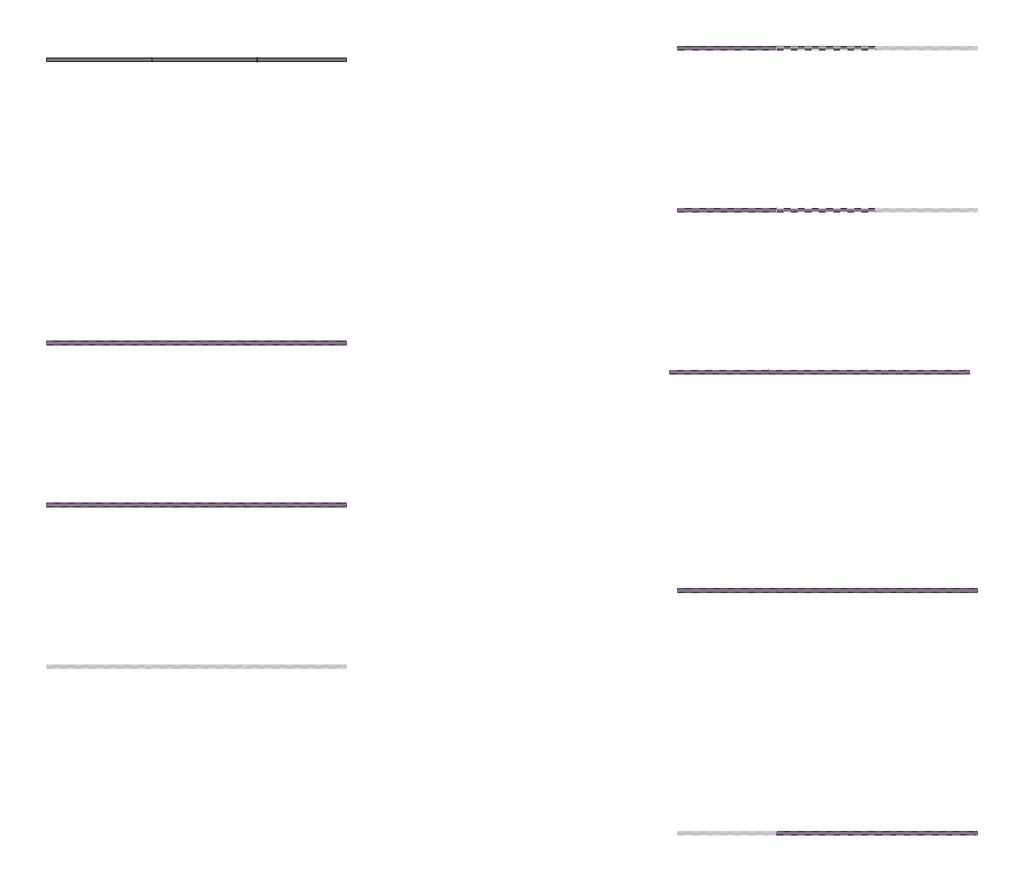
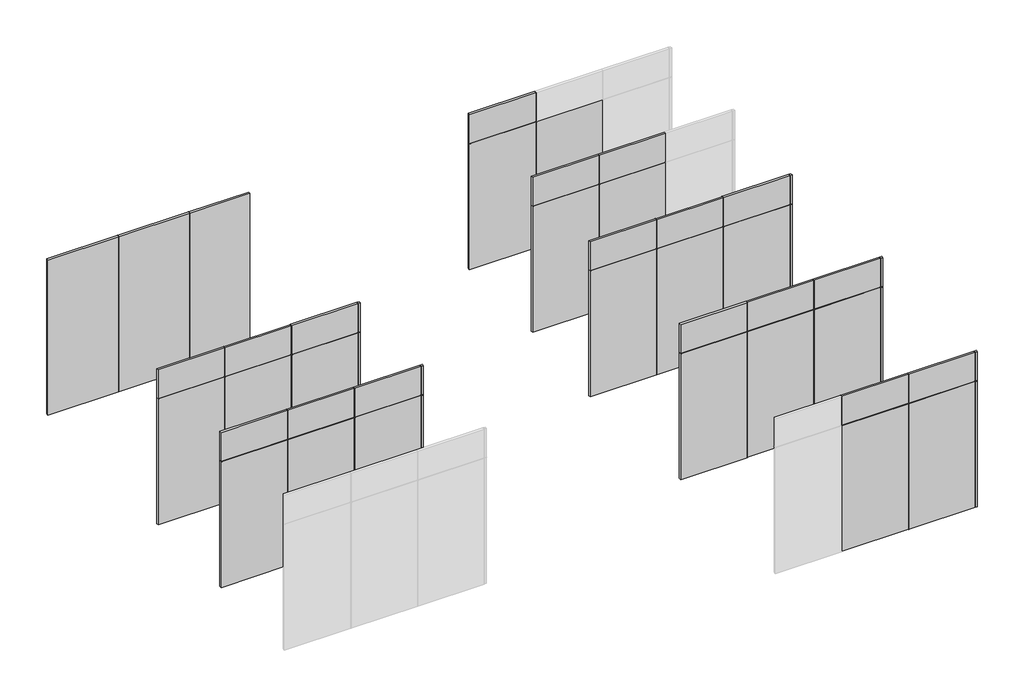
# One storey, part 3 of 33: 56 members, 48 plates.
"""IFC4 building model written with IfcOpenShell, lengths in millimetres."""

import ifcopenshell
import ifcopenshell.guid

model = None  # the IFC model being written
_history = None  # IfcOwnerHistory: only IFC2X3 demands one
_inside = {}  # id of a spatial element -> (the spatial element, [elements in it])
_under = {}  # id of a project, library or spatial element -> (it, [spatial elements below it])
_declared = {}  # id of a project -> (the project, [libraries it declares])
_typed = {}  # id of a type object -> (the type object, [elements of that type])
_made_of = {}  # id of a material, layer set ... -> (it, [elements and type objects made of it])


def new_model(schema):
    """Start an empty IFC model of exactly this schema.

    Asked for "IFC4X3", IfcOpenShell would pick the latest addendum, in which some entities
    have other attributes; the version numbers below select the first issue.
    IFC2X3 requires an IfcOwnerHistory on every rooted entity: one is made here for all.
    """
    global model, _history
    if schema == "IFC4X3":
        model = ifcopenshell.file(schema_version=(4, 3, 0, 0))
    else:
        model = ifcopenshell.file(schema=schema)
    _inside.clear()
    _under.clear()
    _declared.clear()
    _typed.clear()
    _made_of.clear()
    _history = None
    if model.schema == "IFC2X3":
        org = make("IfcOrganization", Name="unknown")
        user = make(
            "IfcPersonAndOrganization",
            ThePerson=make("IfcPerson", FamilyName="unknown"),
            TheOrganization=org,
        )
        app = make(
            "IfcApplication",
            ApplicationDeveloper=org,
            Version="unknown",
            ApplicationFullName="unknown",
            ApplicationIdentifier="unknown",
        )
        _history = make(
            "IfcOwnerHistory",
            OwningUser=user,
            OwningApplication=app,
            ChangeAction="ADDED",
            CreationDate=0,
        )
    return model


def make(cls, **values):
    """One entity of the class cls with the attributes given. An attribute that is None is left unset."""
    return model.create_entity(
        cls, **{name: value for name, value in values.items() if value is not None}
    )


def rooted(cls, **values):
    """An entity with a GlobalId (a new one), such as an element, a storey or a relation."""
    return make(cls, GlobalId=ifcopenshell.guid.new(), OwnerHistory=_history, **values)


def si_unit(unit_type, name, prefix=None):
    """IfcSIUnit, for example si_unit("LENGTHUNIT", "METRE", prefix="MILLI")."""
    return make("IfcSIUnit", UnitType=unit_type, Prefix=prefix, Name=name)


def assignment(units):
    """IfcUnitAssignment: the units of a project."""
    return None if units is None else make("IfcUnitAssignment", Units=units)


def point(xyz):
    """IfcCartesianPoint."""
    return None if xyz is None else make("IfcCartesianPoint", Coordinates=xyz)


def direction(xyz):
    """IfcDirection."""
    return None if xyz is None else make("IfcDirection", DirectionRatios=xyz)


def frame(location, z_axis=None, x_axis=None):
    """IfcAxis2Placement3D, a coordinate frame: its origin and axes. An axis left out is left unset."""
    return make(
        "IfcAxis2Placement3D",
        Location=point(location),
        Axis=direction(z_axis),
        RefDirection=direction(x_axis),
    )


def origin():
    """The frame at (0, 0, 0) with its axes left unset."""
    return frame((0.0, 0.0, 0.0))


def origin_with_axes():
    """The frame at (0, 0, 0) with the z axis (0, 0, 1) and the x axis (1, 0, 0) written out."""
    return frame((0.0, 0.0, 0.0), z_axis=(0.0, 0.0, 1.0), x_axis=(1.0, 0.0, 0.0))


def place(relative_to, where):
    """IfcLocalPlacement: puts the frame where relative to a parent placement (None: the world)."""
    return make(
        "IfcLocalPlacement", PlacementRelTo=relative_to, RelativePlacement=where
    )


def context(
    kind, dimensions, precision=None, world=None, true_north=None, identifier=None
):
    """IfcGeometricRepresentationContext, for example the 3D "Model" context."""
    return make(
        "IfcGeometricRepresentationContext",
        ContextIdentifier=identifier,
        ContextType=kind,
        CoordinateSpaceDimension=dimensions,
        Precision=precision,
        WorldCoordinateSystem=world,
        TrueNorth=true_north,
    )


def project(units=None, contexts=None):
    """IfcProject with its units and contexts."""
    return rooted(
        "IfcProject",
        Name="project",
        RepresentationContexts=contexts,
        UnitsInContext=assignment(units),
    )


def spatial(cls, under=None, at=None, **own):
    """A site, building, storey or space (cls), placed at a placement, below another one or the project."""
    s = rooted(cls, ObjectPlacement=at, **own)
    if under is not None:
        _under.setdefault(under.id(), (under, []))[1].append(s)
    return s


def polyline(points):
    """IfcPolyline through the points."""
    return make("IfcPolyline", Points=[point(p) for p in points])


def outline(outer, holes=None, kind="AREA"):
    """IfcArbitraryClosedProfileDef: a profile drawn as a closed curve; with holes, ...WithVoids."""
    if holes is None:
        return make("IfcArbitraryClosedProfileDef", ProfileType=kind, OuterCurve=outer)
    return make(
        "IfcArbitraryProfileDefWithVoids",
        ProfileType=kind,
        OuterCurve=outer,
        InnerCurves=holes,
    )


def extrude(swept, where, along, depth):
    """IfcExtrudedAreaSolid: the profile swept, set in the frame where, extruded along a direction by depth."""
    return make(
        "IfcExtrudedAreaSolid",
        SweptArea=swept,
        Position=where,
        ExtrudedDirection=direction(along),
        Depth=depth,
    )


def shape(context_of_items, identifier, shape_type, items):
    """IfcShapeRepresentation: the items that make up one representation, for example the "Body"."""
    return make(
        "IfcShapeRepresentation",
        ContextOfItems=context_of_items,
        RepresentationIdentifier=identifier,
        RepresentationType=shape_type,
        Items=items,
    )


def source(mapping_origin, context_of_items, identifier, shape_type, items):
    """IfcRepresentationMap: a shape defined once, which mapped items show again and again."""
    return make(
        "IfcRepresentationMap",
        MappingOrigin=mapping_origin,
        MappedRepresentation=shape(context_of_items, identifier, shape_type, items),
    )


def transform(
    local_origin,
    x_axis=None,
    y_axis=None,
    z_axis=None,
    scale=None,
    scale2=None,
    scale3=None,
    uniform=True,
):
    """IfcCartesianTransformationOperator3D, or its non-uniform kind. x_axis, y_axis, z_axis: its Axis1, 2, 3."""
    if uniform:
        return make(
            "IfcCartesianTransformationOperator3D",
            Axis1=direction(x_axis),
            Axis2=direction(y_axis),
            LocalOrigin=point(local_origin),
            Scale=scale,
            Axis3=direction(z_axis),
        )
    return make(
        "IfcCartesianTransformationOperator3DnonUniform",
        Axis1=direction(x_axis),
        Axis2=direction(y_axis),
        LocalOrigin=point(local_origin),
        Scale=scale,
        Axis3=direction(z_axis),
        Scale2=scale2,
        Scale3=scale3,
    )


def mapped(mapping_source, mapping_target):
    """IfcMappedItem: shows the shape of a source again, moved by a transform."""
    return make(
        "IfcMappedItem", MappingSource=mapping_source, MappingTarget=mapping_target
    )


def made_of(thing, what):
    """Note that an element or type object is made of a material, layer set ...; save() writes the relation."""
    if what is not None:
        _made_of.setdefault(what.id(), (what, []))[1].append(thing)
    return thing


def element(
    cls,
    number,
    at=None,
    inside=None,
    cuts=None,
    type_object=None,
    material=None,
    context=None,
    identifier="Body",
    shape_type=None,
    held_by="IfcProductDefinitionShape",
    body=None,
    shapes=None,
    **own,
):
    """One element of the class cls, such as IfcWall. Its Tag is "e" and its number.

    at: its placement. inside: the storey or other place that contains it. cuts: it is an
    opening in that element (IfcRelVoidsElement). A single representation is given by context,
    identifier, shape_type and body (its items); several are given by shapes. held_by: the class
    of the entity that holds the representations. save() writes the other relations.
    """
    e = rooted(cls, Tag="e%d" % number, ObjectPlacement=at, **own)
    if body is not None:
        shapes = [shape(context, identifier, shape_type, body)]
    if shapes is not None:
        e.Representation = make(held_by, Representations=shapes)
    if inside is not None:
        _inside.setdefault(inside.id(), (inside, []))[1].append(e)
    if cuts is not None:
        rooted(
            "IfcRelVoidsElement", RelatingBuildingElement=cuts, RelatedOpeningElement=e
        )
    if type_object is not None:
        _typed.setdefault(type_object.id(), (type_object, []))[1].append(e)
    return made_of(e, material)


def aggregate(whole, parts):
    """IfcRelAggregates: a whole, such as a stair, and the parts it consists of."""
    return rooted("IfcRelAggregates", RelatingObject=whole, RelatedObjects=parts)


def save(model, path):
    """Write the relations noted so far, then the file.

    IfcRelAggregates (storeys below a building ...), IfcRelContainedInSpatialStructure (elements
    in a storey), IfcRelDefinesByType, IfcRelAssociatesMaterial and IfcRelDeclares: one each for
    every whole, place, type object, material and project.
    """
    for whole, parts in _under.values():
        aggregate(whole, parts)
    for where, things in _inside.values():
        rooted(
            "IfcRelContainedInSpatialStructure",
            RelatedElements=things,
            RelatingStructure=where,
        )
    for kind, things in _typed.values():
        rooted("IfcRelDefinesByType", RelatedObjects=things, RelatingType=kind)
    for what, things in _made_of.values():
        rooted("IfcRelAssociatesMaterial", RelatedObjects=things, RelatingMaterial=what)
    for by, libraries in _declared.values():
        rooted("IfcRelDeclares", RelatingContext=by, RelatedDefinitions=libraries)
    model.write(path)


def member_4a7d45f5(model_context):
    return source(origin(), model_context, "Body", "SweptSolid", [
        extrude(outline(polyline([(1.0, 22.0), (1.0, -22.0), (-1.0, -22.0), (-1.0, 22.0), (1.0, 22.0)])), frame((0.0, 0.0, -3000.0), z_axis=(0.0, 0.0, 1.0), x_axis=(1.0, 0.0, 0.0)), (0.0, 0.0, 1.0), 3000.0),
    ])


def member_28196938(model_context):
    return source(origin(), model_context, "Body", "SweptSolid", [
        extrude(outline(polyline([(1.0, 23.0), (1.0, -23.0), (-1.0, -23.0), (-1.0, 23.0), (1.0, 23.0)])), frame((0.0, 0.0, -3000.0), z_axis=(0.0, 0.0, 1.0), x_axis=(1.0, 0.0, 0.0)), (0.0, 0.0, 1.0), 3000.0),
    ])


def member_1787823b(model_context):
    return source(origin(), model_context, "Body", "SweptSolid", [
        extrude(outline(polyline([(1.0, 22.0), (1.0, -22.0), (-1.0, -22.0), (-1.0, 22.0), (1.0, 22.0)])), frame((0.0, 0.0, -2439.0), z_axis=(0.0, 0.0, 1.0), x_axis=(1.0, 0.0, 0.0)), (0.0, 0.0, 1.0), 2439.0),
    ])


def member_e9ed71a9(model_context):
    return source(origin(), model_context, "Body", "SweptSolid", [
        extrude(outline(polyline([(1.0, 22.0), (1.0, -22.0), (-1.0, -22.0), (-1.0, 22.0), (1.0, 22.0)])), frame((0.0, 0.0, -561.0), z_axis=(0.0, 0.0, 1.0), x_axis=(1.0, 0.0, 0.0)), (0.0, 0.0, 1.0), 561.0),
    ])


def member_6dcd7272(model_context):
    return source(origin(), model_context, "Body", "SweptSolid", [
        extrude(outline(polyline([(1.0, 22.0), (1.0, -22.0), (-1.0, -22.0), (-1.0, 22.0), (1.0, 22.0)])), frame((0.0, 0.0, -1218.0000003), z_axis=(0.0, 0.0, 1.0), x_axis=(1.0, 0.0, 0.0)), (0.0, 0.0, 1.0), 1218.0000003),
    ])


def member_5f7379ef(model_context):
    return source(origin(), model_context, "Body", "SweptSolid", [
        extrude(outline(polyline([(1.0, 22.0), (1.0, -22.0), (-1.0, -22.0), (-1.0, 22.0), (1.0, 22.0)])), frame((0.0, 0.0, -1218.0), z_axis=(0.0, 0.0, 1.0), x_axis=(1.0, 0.0, 0.0)), (0.0, 0.0, 1.0), 1218.0),
    ])


def member_fc2d3749(model_context):
    return source(origin(), model_context, "Body", "SweptSolid", [
        extrude(outline(polyline([(1.0, 22.0), (1.0, -22.0), (-1.0, -22.0), (-1.0, 22.0), (1.0, 22.0)])), frame((0.0, 0.0, -39.9999997), z_axis=(0.0, 0.0, 1.0), x_axis=(1.0, 0.0, 0.0)), (0.0, 0.0, 1.0), 39.9999997),
    ])


model = new_model("IFC4")

# Units and contexts
model_context = context("Model", 3, world=origin())
ifc_project = project(units=[si_unit("LENGTHUNIT", "METRE", prefix="MILLI")], contexts=[model_context])

# Site, building, storey
site = spatial("IfcSite", under=ifc_project)
building = spatial("IfcBuilding", under=site)
storey = spatial("IfcBuildingStorey", under=building, Elevation=0.0)

# Members
placement = place(None, origin())
member_shape = member_4a7d45f5(model_context)
element("IfcMember", 1, at=placement, inside=storey, context=model_context, shape_type="MappedRepresentation", body=[
    mapped(member_shape, transform((35575.5362657, -1902.4813986, 0.0), x_axis=(1.0, 0.0, 0.0), y_axis=(0.0, -1.0, 0.0), z_axis=(0.0, 0.0, -1.0))),
])
member_2_shape = member_28196938(model_context)
element("IfcMember", 2, at=placement, inside=storey, context=model_context, shape_type="MappedRepresentation", body=[
    mapped(member_2_shape, transform((36875.5362657, -1902.4813986, 0.0), x_axis=(1.0, 0.0, 0.0), y_axis=(0.0, -1.0, 0.0), z_axis=(0.0, 0.0, -1.0))),
])
member_3_shape = member_1787823b(model_context)
element("IfcMember", 3, at=placement, inside=storey, context=model_context, shape_type="MappedRepresentation", body=[
    mapped(member_3_shape, transform((36714.5362657, -5402.4813986, 0.0), x_axis=(1.0, 0.0, 0.0), y_axis=(0.0, -1.0, 0.0), z_axis=(0.0, 0.0, -1.0))),
])
element("IfcMember", 4, at=placement, inside=storey, context=model_context, shape_type="MappedRepresentation", body=[
    mapped(member_3_shape, transform((37934.5362657, -5402.4813986, 0.0), x_axis=(1.0, 0.0, 0.0), y_axis=(0.0, -1.0, 0.0), z_axis=(0.0, 0.0, -1.0))),
])
element("IfcMember", 5, at=placement, inside=storey, context=model_context, shape_type="MappedRepresentation", body=[
    mapped(member_3_shape, transform((35494.5362657, -5402.4813986, 0.0), x_axis=(1.0, 0.0, 0.0), y_axis=(0.0, -1.0, 0.0), z_axis=(0.0, 0.0, -1.0))),
])
element("IfcMember", 6, at=placement, inside=storey, context=model_context, shape_type="MappedRepresentation", body=[
    mapped(member_3_shape, transform((36714.5362657, -7402.4813986, 0.0), x_axis=(1.0, 0.0, 0.0), y_axis=(0.0, -1.0, 0.0), z_axis=(0.0, 0.0, -1.0))),
])
element("IfcMember", 7, at=placement, inside=storey, context=model_context, shape_type="MappedRepresentation", body=[
    mapped(member_3_shape, transform((37934.5362657, -7402.4813986, 0.0), x_axis=(1.0, 0.0, 0.0), y_axis=(0.0, -1.0, 0.0), z_axis=(0.0, 0.0, -1.0))),
])
element("IfcMember", 8, at=placement, inside=storey, context=model_context, shape_type="MappedRepresentation", body=[
    mapped(member_3_shape, transform((35494.5362657, -7402.4813986, 0.0), x_axis=(1.0, 0.0, 0.0), y_axis=(0.0, -1.0, 0.0), z_axis=(0.0, 0.0, -1.0))),
])
element("IfcMember", 9, at=placement, inside=storey, context=model_context, shape_type="MappedRepresentation", body=[
    mapped(member_3_shape, transform((43294.5362657, -1762.4813986, 0.0), x_axis=(1.0, 0.0, 0.0), y_axis=(0.0, -1.0, 0.0), z_axis=(0.0, 0.0, -1.0))),
])
element("IfcMember", 10, at=placement, inside=storey, context=model_context, shape_type="MappedRepresentation", body=[
    mapped(member_3_shape, transform((43294.5362657, -3762.4813986, 0.0), x_axis=(1.0, 0.0, 0.0), y_axis=(0.0, -1.0, 0.0), z_axis=(0.0, 0.0, -1.0))),
])
element("IfcMember", 11, at=placement, inside=storey, context=model_context, shape_type="MappedRepresentation", body=[
    mapped(member_3_shape, transform((44414.536266, -5762.4813986, 0.0), x_axis=(1.0, 0.0, 0.0), y_axis=(0.0, -1.0, 0.0), z_axis=(0.0, 0.0, -1.0))),
])
element("IfcMember", 12, at=placement, inside=storey, context=model_context, shape_type="MappedRepresentation", body=[
    mapped(member_3_shape, transform((45634.536266, -5762.4813986, 0.0), x_axis=(1.0, 0.0, 0.0), y_axis=(0.0, -1.0, 0.0), z_axis=(0.0, 0.0, -1.0))),
])
element("IfcMember", 13, at=placement, inside=storey, context=model_context, shape_type="MappedRepresentation", body=[
    mapped(member_3_shape, transform((43194.536266, -5762.4813986, 0.0), x_axis=(1.0, 0.0, 0.0), y_axis=(0.0, -1.0, 0.0), z_axis=(0.0, 0.0, -1.0))),
])
element("IfcMember", 14, at=placement, inside=storey, context=model_context, shape_type="MappedRepresentation", body=[
    mapped(member_3_shape, transform((44514.5362657, -8459.9482172, 0.0), x_axis=(1.0, 0.0, 0.0), y_axis=(0.0, -1.0, 0.0), z_axis=(0.0, 0.0, -1.0))),
])
element("IfcMember", 15, at=placement, inside=storey, context=model_context, shape_type="MappedRepresentation", body=[
    mapped(member_3_shape, transform((45734.5362657, -8459.9482172, 0.0), x_axis=(1.0, 0.0, 0.0), y_axis=(0.0, -1.0, 0.0), z_axis=(0.0, 0.0, -1.0))),
])
element("IfcMember", 16, at=placement, inside=storey, context=model_context, shape_type="MappedRepresentation", body=[
    mapped(member_3_shape, transform((43294.5362657, -8459.9482172, 0.0), x_axis=(1.0, 0.0, 0.0), y_axis=(0.0, -1.0, 0.0), z_axis=(0.0, 0.0, -1.0))),
])
element("IfcMember", 17, at=placement, inside=storey, context=model_context, shape_type="MappedRepresentation", body=[
    mapped(member_3_shape, transform((44514.5362657, -11459.9482172, 0.0), x_axis=(1.0, 0.0, 0.0), y_axis=(0.0, -1.0, 0.0), z_axis=(0.0, 0.0, -1.0))),
])
element("IfcMember", 18, at=placement, inside=storey, context=model_context, shape_type="MappedRepresentation", body=[
    mapped(member_3_shape, transform((45734.5362657, -11459.9482172, 0.0), x_axis=(1.0, 0.0, 0.0), y_axis=(0.0, -1.0, 0.0), z_axis=(0.0, 0.0, -1.0))),
])
member_4_shape = member_e9ed71a9(model_context)
element("IfcMember", 19, at=placement, inside=storey, context=model_context, shape_type="MappedRepresentation", body=[
    mapped(member_4_shape, transform((36714.5362657, -5402.4813986, 2439.0), x_axis=(1.0, 0.0, 0.0), y_axis=(0.0, -1.0, 0.0), z_axis=(0.0, 0.0, -1.0))),
])
element("IfcMember", 20, at=placement, inside=storey, context=model_context, shape_type="MappedRepresentation", body=[
    mapped(member_4_shape, transform((37934.5362657, -5402.4813986, 2439.0), x_axis=(1.0, 0.0, 0.0), y_axis=(0.0, -1.0, 0.0), z_axis=(0.0, 0.0, -1.0))),
])
element("IfcMember", 21, at=placement, inside=storey, context=model_context, shape_type="MappedRepresentation", body=[
    mapped(member_4_shape, transform((35494.5362657, -5402.4813986, 2439.0), x_axis=(1.0, 0.0, 0.0), y_axis=(0.0, -1.0, 0.0), z_axis=(0.0, 0.0, -1.0))),
])
element("IfcMember", 22, at=placement, inside=storey, context=model_context, shape_type="MappedRepresentation", body=[
    mapped(member_4_shape, transform((36714.5362657, -7402.4813986, 2439.0), x_axis=(1.0, 0.0, 0.0), y_axis=(0.0, -1.0, 0.0), z_axis=(0.0, 0.0, -1.0))),
])
element("IfcMember", 23, at=placement, inside=storey, context=model_context, shape_type="MappedRepresentation", body=[
    mapped(member_4_shape, transform((37934.5362657, -7402.4813986, 2439.0), x_axis=(1.0, 0.0, 0.0), y_axis=(0.0, -1.0, 0.0), z_axis=(0.0, 0.0, -1.0))),
])
element("IfcMember", 24, at=placement, inside=storey, context=model_context, shape_type="MappedRepresentation", body=[
    mapped(member_4_shape, transform((35494.5362657, -7402.4813986, 2439.0), x_axis=(1.0, 0.0, 0.0), y_axis=(0.0, -1.0, 0.0), z_axis=(0.0, 0.0, -1.0))),
])
element("IfcMember", 25, at=placement, inside=storey, context=model_context, shape_type="MappedRepresentation", body=[
    mapped(member_4_shape, transform((43294.5362657, -1762.4813986, 2439.0), x_axis=(1.0, 0.0, 0.0), y_axis=(0.0, -1.0, 0.0), z_axis=(0.0, 0.0, -1.0))),
])
element("IfcMember", 26, at=placement, inside=storey, context=model_context, shape_type="MappedRepresentation", body=[
    mapped(member_4_shape, transform((43294.5362657, -3762.4813986, 2439.0), x_axis=(1.0, 0.0, 0.0), y_axis=(0.0, -1.0, 0.0), z_axis=(0.0, 0.0, -1.0))),
])
element("IfcMember", 27, at=placement, inside=storey, context=model_context, shape_type="MappedRepresentation", body=[
    mapped(member_4_shape, transform((44414.536266, -5762.4813986, 2439.0), x_axis=(1.0, 0.0, 0.0), y_axis=(0.0, -1.0, 0.0), z_axis=(0.0, 0.0, -1.0))),
])
element("IfcMember", 28, at=placement, inside=storey, context=model_context, shape_type="MappedRepresentation", body=[
    mapped(member_4_shape, transform((45634.536266, -5762.4813986, 2439.0), x_axis=(1.0, 0.0, 0.0), y_axis=(0.0, -1.0, 0.0), z_axis=(0.0, 0.0, -1.0))),
])
element("IfcMember", 29, at=placement, inside=storey, context=model_context, shape_type="MappedRepresentation", body=[
    mapped(member_4_shape, transform((43194.536266, -5762.4813986, 2439.0), x_axis=(1.0, 0.0, 0.0), y_axis=(0.0, -1.0, 0.0), z_axis=(0.0, 0.0, -1.0))),
])
element("IfcMember", 30, at=placement, inside=storey, context=model_context, shape_type="MappedRepresentation", body=[
    mapped(member_4_shape, transform((44514.5362657, -8459.9482172, 2439.0), x_axis=(1.0, 0.0, 0.0), y_axis=(0.0, -1.0, 0.0), z_axis=(0.0, 0.0, -1.0))),
])
element("IfcMember", 31, at=placement, inside=storey, context=model_context, shape_type="MappedRepresentation", body=[
    mapped(member_4_shape, transform((45734.5362657, -8459.9482172, 2439.0), x_axis=(1.0, 0.0, 0.0), y_axis=(0.0, -1.0, 0.0), z_axis=(0.0, 0.0, -1.0))),
])
element("IfcMember", 32, at=placement, inside=storey, context=model_context, shape_type="MappedRepresentation", body=[
    mapped(member_4_shape, transform((43294.5362657, -8459.9482172, 2439.0), x_axis=(1.0, 0.0, 0.0), y_axis=(0.0, -1.0, 0.0), z_axis=(0.0, 0.0, -1.0))),
])
element("IfcMember", 33, at=placement, inside=storey, context=model_context, shape_type="MappedRepresentation", body=[
    mapped(member_4_shape, transform((44514.5362657, -11459.9482172, 2439.0), x_axis=(1.0, 0.0, 0.0), y_axis=(0.0, -1.0, 0.0), z_axis=(0.0, 0.0, -1.0))),
])
element("IfcMember", 34, at=placement, inside=storey, context=model_context, shape_type="MappedRepresentation", body=[
    mapped(member_4_shape, transform((45734.5362657, -11459.9482172, 2439.0), x_axis=(1.0, 0.0, 0.0), y_axis=(0.0, -1.0, 0.0), z_axis=(0.0, 0.0, -1.0))),
])
element("IfcMember", 35, at=placement, inside=storey, context=model_context, shape_type="MappedRepresentation", body=[
    mapped(member_4_shape, transform((43294.5362657, -11459.9482172, 2439.0), x_axis=(1.0, 0.0, 0.0), y_axis=(0.0, -1.0, 0.0), z_axis=(0.0, 0.0, -1.0))),
])
member_5_shape = member_6dcd7272(model_context)
element("IfcMember", 36, at=placement, inside=storey, context=model_context, shape_type="MappedRepresentation", body=[
    mapped(member_5_shape, transform((35493.5362657, -5402.4813986, 2439.0), x_axis=(0.0, 0.0, 1.0), y_axis=(0.0, -1.0, 0.0), z_axis=(1.0, 0.0, 0.0))),
])
element("IfcMember", 37, at=placement, inside=storey, context=model_context, shape_type="MappedRepresentation", body=[
    mapped(member_5_shape, transform((35493.5362657, -7402.4813986, 2439.0), x_axis=(0.0, 0.0, 1.0), y_axis=(0.0, -1.0, 0.0), z_axis=(1.0, 0.0, 0.0))),
])
element("IfcMember", 38, at=placement, inside=storey, context=model_context, shape_type="MappedRepresentation", body=[
    mapped(member_5_shape, transform((43293.5362657, -1762.4813986, 2439.0), x_axis=(0.0, 0.0, 1.0), y_axis=(0.0, -1.0, 0.0), z_axis=(1.0, 0.0, 0.0))),
])
element("IfcMember", 39, at=placement, inside=storey, context=model_context, shape_type="MappedRepresentation", body=[
    mapped(member_5_shape, transform((43293.5362657, -3762.4813986, 2439.0), x_axis=(0.0, 0.0, 1.0), y_axis=(0.0, -1.0, 0.0), z_axis=(1.0, 0.0, 0.0))),
])
element("IfcMember", 40, at=placement, inside=storey, context=model_context, shape_type="MappedRepresentation", body=[
    mapped(member_5_shape, transform((43193.536266, -5762.4813986, 2439.0), x_axis=(0.0, 0.0, 1.0), y_axis=(0.0, -1.0, 0.0), z_axis=(1.0, 0.0, 0.0))),
])
element("IfcMember", 41, at=placement, inside=storey, context=model_context, shape_type="MappedRepresentation", body=[
    mapped(member_5_shape, transform((43293.5362657, -8459.9482172, 2439.0), x_axis=(0.0, 0.0, 1.0), y_axis=(0.0, -1.0, 0.0), z_axis=(1.0, 0.0, 0.0))),
])
member_6_shape = member_5f7379ef(model_context)
element("IfcMember", 42, at=placement, inside=storey, context=model_context, shape_type="MappedRepresentation", body=[
    mapped(member_6_shape, transform((36713.5362657, -5402.4813986, 2439.0), x_axis=(0.0, 0.0, 1.0), y_axis=(0.0, -1.0, 0.0), z_axis=(1.0, 0.0, 0.0))),
])
element("IfcMember", 43, at=placement, inside=storey, context=model_context, shape_type="MappedRepresentation", body=[
    mapped(member_6_shape, transform((37933.5362657, -5402.4813986, 2439.0), x_axis=(0.0, 0.0, 1.0), y_axis=(0.0, -1.0, 0.0), z_axis=(1.0, 0.0, 0.0))),
])
element("IfcMember", 44, at=placement, inside=storey, context=model_context, shape_type="MappedRepresentation", body=[
    mapped(member_6_shape, transform((36713.5362657, -7402.4813986, 2439.0), x_axis=(0.0, 0.0, 1.0), y_axis=(0.0, -1.0, 0.0), z_axis=(1.0, 0.0, 0.0))),
])
element("IfcMember", 45, at=placement, inside=storey, context=model_context, shape_type="MappedRepresentation", body=[
    mapped(member_6_shape, transform((37933.5362657, -7402.4813986, 2439.0), x_axis=(0.0, 0.0, 1.0), y_axis=(0.0, -1.0, 0.0), z_axis=(1.0, 0.0, 0.0))),
])
element("IfcMember", 46, at=placement, inside=storey, context=model_context, shape_type="MappedRepresentation", body=[
    mapped(member_6_shape, transform((44413.536266, -5762.4813986, 2439.0), x_axis=(0.0, 0.0, 1.0), y_axis=(0.0, -1.0, 0.0), z_axis=(1.0, 0.0, 0.0))),
])
element("IfcMember", 47, at=placement, inside=storey, context=model_context, shape_type="MappedRepresentation", body=[
    mapped(member_6_shape, transform((45633.536266, -5762.4813986, 2439.0), x_axis=(0.0, 0.0, 1.0), y_axis=(0.0, -1.0, 0.0), z_axis=(1.0, 0.0, 0.0))),
])
element("IfcMember", 48, at=placement, inside=storey, context=model_context, shape_type="MappedRepresentation", body=[
    mapped(member_6_shape, transform((44513.5362657, -8459.9482172, 2439.0), x_axis=(0.0, 0.0, 1.0), y_axis=(0.0, -1.0, 0.0), z_axis=(1.0, 0.0, 0.0))),
])
element("IfcMember", 49, at=placement, inside=storey, context=model_context, shape_type="MappedRepresentation", body=[
    mapped(member_6_shape, transform((45733.5362657, -8459.9482172, 2439.0), x_axis=(0.0, 0.0, 1.0), y_axis=(0.0, -1.0, 0.0), z_axis=(1.0, 0.0, 0.0))),
])
element("IfcMember", 50, at=placement, inside=storey, context=model_context, shape_type="MappedRepresentation", body=[
    mapped(member_6_shape, transform((44513.5362657, -11459.9482172, 2439.0), x_axis=(0.0, 0.0, 1.0), y_axis=(0.0, -1.0, 0.0), z_axis=(1.0, 0.0, 0.0))),
])
element("IfcMember", 51, at=placement, inside=storey, context=model_context, shape_type="MappedRepresentation", body=[
    mapped(member_6_shape, transform((45733.5362657, -11459.9482172, 2439.0), x_axis=(0.0, 0.0, 1.0), y_axis=(0.0, -1.0, 0.0), z_axis=(1.0, 0.0, 0.0))),
])
member_7_shape = member_fc2d3749(model_context)
element("IfcMember", 52, at=placement, inside=storey, context=model_context, shape_type="MappedRepresentation", body=[
    mapped(member_7_shape, transform((37975.5362654, -5402.4813986, 2439.0), x_axis=(0.0, 0.0, 1.0), y_axis=(0.0, -1.0, 0.0), z_axis=(1.0, 0.0, 0.0))),
])
element("IfcMember", 53, at=placement, inside=storey, context=model_context, shape_type="MappedRepresentation", body=[
    mapped(member_7_shape, transform((37975.5362654, -7402.4813986, 2439.0), x_axis=(0.0, 0.0, 1.0), y_axis=(0.0, -1.0, 0.0), z_axis=(1.0, 0.0, 0.0))),
])
element("IfcMember", 54, at=placement, inside=storey, context=model_context, shape_type="MappedRepresentation", body=[
    mapped(member_7_shape, transform((45675.5362657, -5762.4813986, 2439.0), x_axis=(0.0, 0.0, 1.0), y_axis=(0.0, -1.0, 0.0), z_axis=(1.0, 0.0, 0.0))),
])
element("IfcMember", 55, at=placement, inside=storey, context=model_context, shape_type="MappedRepresentation", body=[
    mapped(member_7_shape, transform((45775.5362654, -8459.9482172, 2439.0), x_axis=(0.0, 0.0, 1.0), y_axis=(0.0, -1.0, 0.0), z_axis=(1.0, 0.0, 0.0))),
])
element("IfcMember", 56, at=placement, inside=storey, context=model_context, shape_type="MappedRepresentation", body=[
    mapped(member_7_shape, transform((45775.5362654, -11459.9482172, 2439.0), x_axis=(0.0, 0.0, 1.0), y_axis=(0.0, -1.0, 0.0), z_axis=(1.0, 0.0, 0.0))),
])

# Plates
element("IfcPlate", 57, at=placement, inside=storey, context=model_context, shape_type="SweptSolid", body=[
    extrude(outline(polyline([(37975.5362654, -1922.4813986), (36876.5362657, -1922.4813986), (36876.5362657, -1882.4813986), (37975.5362654, -1882.4813986), (37975.5362654, -1922.4813986)])), origin_with_axes(), (0.0, 0.0, 1.0), 3000.0),
])
element("IfcPlate", 58, at=placement, inside=storey, context=model_context, shape_type="SweptSolid", body=[
    extrude(outline(polyline([(36874.5362657, -1922.4813986), (35576.5362657, -1922.4813986), (35576.5362657, -1882.4813986), (36874.5362657, -1882.4813986), (36874.5362657, -1922.4813986)])), origin_with_axes(), (0.0, 0.0, 1.0), 3000.0),
])
element("IfcPlate", 59, at=placement, inside=storey, context=model_context, shape_type="SweptSolid", body=[
    extrude(outline(polyline([(35574.5362657, -1922.4813986), (34275.5362654, -1922.4813986), (34275.5362654, -1882.4813986), (35574.5362657, -1882.4813986), (35574.5362657, -1922.4813986)])), origin_with_axes(), (0.0, 0.0, 1.0), 3000.0),
])
element("IfcPlate", 60, at=placement, inside=storey, context=model_context, shape_type="SweptSolid", body=[
    extrude(outline(polyline([(37975.5362654, -5422.4813986), (37935.5362657, -5422.4813986), (37935.5362657, -5382.4813986), (37975.5362654, -5382.4813986), (37975.5362654, -5422.4813986)])), origin_with_axes(), (0.0, 0.0, 1.0), 2438.0),
])
element("IfcPlate", 61, at=placement, inside=storey, context=model_context, shape_type="SweptSolid", body=[
    extrude(outline(polyline([(37933.5362657, -5422.4813986), (36715.5362657, -5422.4813986), (36715.5362657, -5382.4813986), (37933.5362657, -5382.4813986), (37933.5362657, -5422.4813986)])), origin_with_axes(), (0.0, 0.0, 1.0), 2438.0),
])
element("IfcPlate", 62, at=placement, inside=storey, context=model_context, shape_type="SweptSolid", body=[
    extrude(outline(polyline([(35493.5362657, -5422.4813986), (34275.5362654, -5422.4813986), (34275.5362654, -5382.4813986), (35493.5362657, -5382.4813986), (35493.5362657, -5422.4813986)])), origin_with_axes(), (0.0, 0.0, 1.0), 2438.0),
])
element("IfcPlate", 63, at=placement, inside=storey, context=model_context, shape_type="SweptSolid", body=[
    extrude(outline(polyline([(35493.5362657, -5422.4813986), (34275.5362654, -5422.4813986), (34275.5362654, -5382.4813986), (35493.5362657, -5382.4813986), (35493.5362657, -5422.4813986)])), frame((0.0, 0.0, 2440.0), z_axis=(0.0, 0.0, 1.0), x_axis=(1.0, 0.0, 0.0)), (0.0, 0.0, 1.0), 560.0),
])
element("IfcPlate", 64, at=placement, inside=storey, context=model_context, shape_type="SweptSolid", body=[
    extrude(outline(polyline([(36713.5362657, -5422.4813986), (35495.5362657, -5422.4813986), (35495.5362657, -5382.4813986), (36713.5362657, -5382.4813986), (36713.5362657, -5422.4813986)])), origin_with_axes(), (0.0, 0.0, 1.0), 2438.0),
])
element("IfcPlate", 65, at=placement, inside=storey, context=model_context, shape_type="SweptSolid", body=[
    extrude(outline(polyline([(36713.5362657, -5422.4813986), (35495.5362657, -5422.4813986), (35495.5362657, -5382.4813986), (36713.5362657, -5382.4813986), (36713.5362657, -5422.4813986)])), frame((0.0, 0.0, 2440.0), z_axis=(0.0, 0.0, 1.0), x_axis=(1.0, 0.0, 0.0)), (0.0, 0.0, 1.0), 560.0),
])
element("IfcPlate", 66, at=placement, inside=storey, context=model_context, shape_type="SweptSolid", body=[
    extrude(outline(polyline([(37933.5362657, -5422.4813986), (36715.5362657, -5422.4813986), (36715.5362657, -5382.4813986), (37933.5362657, -5382.4813986), (37933.5362657, -5422.4813986)])), frame((0.0, 0.0, 2440.0), z_axis=(0.0, 0.0, 1.0), x_axis=(1.0, 0.0, 0.0)), (0.0, 0.0, 1.0), 560.0),
])
element("IfcPlate", 67, at=placement, inside=storey, context=model_context, shape_type="SweptSolid", body=[
    extrude(outline(polyline([(37975.5362654, -5422.4813986), (37935.5362657, -5422.4813986), (37935.5362657, -5382.4813986), (37975.5362654, -5382.4813986), (37975.5362654, -5422.4813986)])), frame((0.0, 0.0, 2440.0), z_axis=(0.0, 0.0, 1.0), x_axis=(1.0, 0.0, 0.0)), (0.0, 0.0, 1.0), 560.0),
])
element("IfcPlate", 68, at=placement, inside=storey, context=model_context, shape_type="SweptSolid", body=[
    extrude(outline(polyline([(37975.5362654, -7422.4813986), (37935.5362657, -7422.4813986), (37935.5362657, -7382.4813986), (37975.5362654, -7382.4813986), (37975.5362654, -7422.4813986)])), origin_with_axes(), (0.0, 0.0, 1.0), 2438.0),
])
element("IfcPlate", 69, at=placement, inside=storey, context=model_context, shape_type="SweptSolid", body=[
    extrude(outline(polyline([(37933.5362657, -7422.4813986), (36715.5362657, -7422.4813986), (36715.5362657, -7382.4813986), (37933.5362657, -7382.4813986), (37933.5362657, -7422.4813986)])), origin_with_axes(), (0.0, 0.0, 1.0), 2438.0),
])
element("IfcPlate", 70, at=placement, inside=storey, context=model_context, shape_type="SweptSolid", body=[
    extrude(outline(polyline([(35493.5362657, -7422.4813986), (34275.5362654, -7422.4813986), (34275.5362654, -7382.4813986), (35493.5362657, -7382.4813986), (35493.5362657, -7422.4813986)])), origin_with_axes(), (0.0, 0.0, 1.0), 2438.0),
])
element("IfcPlate", 71, at=placement, inside=storey, context=model_context, shape_type="SweptSolid", body=[
    extrude(outline(polyline([(35493.5362657, -7422.4813986), (34275.5362654, -7422.4813986), (34275.5362654, -7382.4813986), (35493.5362657, -7382.4813986), (35493.5362657, -7422.4813986)])), frame((0.0, 0.0, 2440.0), z_axis=(0.0, 0.0, 1.0), x_axis=(1.0, 0.0, 0.0)), (0.0, 0.0, 1.0), 560.0),
])
element("IfcPlate", 72, at=placement, inside=storey, context=model_context, shape_type="SweptSolid", body=[
    extrude(outline(polyline([(36713.5362657, -7422.4813986), (35495.5362657, -7422.4813986), (35495.5362657, -7382.4813986), (36713.5362657, -7382.4813986), (36713.5362657, -7422.4813986)])), origin_with_axes(), (0.0, 0.0, 1.0), 2438.0),
])
element("IfcPlate", 73, at=placement, inside=storey, context=model_context, shape_type="SweptSolid", body=[
    extrude(outline(polyline([(36713.5362657, -7422.4813986), (35495.5362657, -7422.4813986), (35495.5362657, -7382.4813986), (36713.5362657, -7382.4813986), (36713.5362657, -7422.4813986)])), frame((0.0, 0.0, 2440.0), z_axis=(0.0, 0.0, 1.0), x_axis=(1.0, 0.0, 0.0)), (0.0, 0.0, 1.0), 560.0),
])
element("IfcPlate", 74, at=placement, inside=storey, context=model_context, shape_type="SweptSolid", body=[
    extrude(outline(polyline([(37933.5362657, -7422.4813986), (36715.5362657, -7422.4813986), (36715.5362657, -7382.4813986), (37933.5362657, -7382.4813986), (37933.5362657, -7422.4813986)])), frame((0.0, 0.0, 2440.0), z_axis=(0.0, 0.0, 1.0), x_axis=(1.0, 0.0, 0.0)), (0.0, 0.0, 1.0), 560.0),
])
element("IfcPlate", 75, at=placement, inside=storey, context=model_context, shape_type="SweptSolid", body=[
    extrude(outline(polyline([(37975.5362654, -7422.4813986), (37935.5362657, -7422.4813986), (37935.5362657, -7382.4813986), (37975.5362654, -7382.4813986), (37975.5362654, -7422.4813986)])), frame((0.0, 0.0, 2440.0), z_axis=(0.0, 0.0, 1.0), x_axis=(1.0, 0.0, 0.0)), (0.0, 0.0, 1.0), 560.0),
])
element("IfcPlate", 76, at=placement, inside=storey, context=model_context, shape_type="SweptSolid", body=[
    extrude(outline(polyline([(43293.5362657, -1782.4813986), (42075.5362654, -1782.4813986), (42075.5362654, -1742.4813986), (43293.5362657, -1742.4813986), (43293.5362657, -1782.4813986)])), origin_with_axes(), (0.0, 0.0, 1.0), 2438.0),
])
element("IfcPlate", 77, at=placement, inside=storey, context=model_context, shape_type="SweptSolid", body=[
    extrude(outline(polyline([(43293.5362657, -1782.4813986), (42075.5362654, -1782.4813986), (42075.5362654, -1742.4813986), (43293.5362657, -1742.4813986), (43293.5362657, -1782.4813986)])), frame((0.0, 0.0, 2440.0), z_axis=(0.0, 0.0, 1.0), x_axis=(1.0, 0.0, 0.0)), (0.0, 0.0, 1.0), 560.0),
])
element("IfcPlate", 78, at=placement, inside=storey, context=model_context, shape_type="SweptSolid", body=[
    extrude(outline(polyline([(44513.5362657, -1782.4813986), (43295.5362657, -1782.4813986), (43295.5362657, -1742.4813986), (44513.5362657, -1742.4813986), (44513.5362657, -1782.4813986)])), origin_with_axes(), (0.0, 0.0, 1.0), 2438.0),
])
element("IfcPlate", 79, at=placement, inside=storey, context=model_context, shape_type="SweptSolid", body=[
    extrude(outline(polyline([(43293.5362657, -3782.4813986), (42075.5362654, -3782.4813986), (42075.5362654, -3742.4813986), (43293.5362657, -3742.4813986), (43293.5362657, -3782.4813986)])), origin_with_axes(), (0.0, 0.0, 1.0), 2438.0),
])
element("IfcPlate", 80, at=placement, inside=storey, context=model_context, shape_type="SweptSolid", body=[
    extrude(outline(polyline([(43293.5362657, -3782.4813986), (42075.5362654, -3782.4813986), (42075.5362654, -3742.4813986), (43293.5362657, -3742.4813986), (43293.5362657, -3782.4813986)])), frame((0.0, 0.0, 2440.0), z_axis=(0.0, 0.0, 1.0), x_axis=(1.0, 0.0, 0.0)), (0.0, 0.0, 1.0), 560.0),
])
element("IfcPlate", 81, at=placement, inside=storey, context=model_context, shape_type="SweptSolid", body=[
    extrude(outline(polyline([(44513.5362657, -3782.4813986), (43295.5362657, -3782.4813986), (43295.5362657, -3742.4813986), (44513.5362657, -3742.4813986), (44513.5362657, -3782.4813986)])), origin_with_axes(), (0.0, 0.0, 1.0), 2438.0),
])
element("IfcPlate", 82, at=placement, inside=storey, context=model_context, shape_type="SweptSolid", body=[
    extrude(outline(polyline([(44513.5362657, -3782.4813986), (43295.5362657, -3782.4813986), (43295.5362657, -3742.4813986), (44513.5362657, -3742.4813986), (44513.5362657, -3782.4813986)])), frame((0.0, 0.0, 2440.0), z_axis=(0.0, 0.0, 1.0), x_axis=(1.0, 0.0, 0.0)), (0.0, 0.0, 1.0), 560.0),
])
element("IfcPlate", 83, at=placement, inside=storey, context=model_context, shape_type="SweptSolid", body=[
    extrude(outline(polyline([(45675.5362657, -5782.4813986), (45635.536266, -5782.4813986), (45635.536266, -5742.4813986), (45675.5362657, -5742.4813986), (45675.5362657, -5782.4813986)])), origin_with_axes(), (0.0, 0.0, 1.0), 2438.0),
])
element("IfcPlate", 84, at=placement, inside=storey, context=model_context, shape_type="SweptSolid", body=[
    extrude(outline(polyline([(45633.536266, -5782.4813986), (44415.536266, -5782.4813986), (44415.536266, -5742.4813986), (45633.536266, -5742.4813986), (45633.536266, -5782.4813986)])), origin_with_axes(), (0.0, 0.0, 1.0), 2438.0),
])
element("IfcPlate", 85, at=placement, inside=storey, context=model_context, shape_type="SweptSolid", body=[
    extrude(outline(polyline([(43193.536266, -5782.4813986), (41975.5362657, -5782.4813986), (41975.5362657, -5742.4813986), (43193.536266, -5742.4813986), (43193.536266, -5782.4813986)])), origin_with_axes(), (0.0, 0.0, 1.0), 2438.0),
])
element("IfcPlate", 86, at=placement, inside=storey, context=model_context, shape_type="SweptSolid", body=[
    extrude(outline(polyline([(43193.536266, -5782.4813986), (41975.5362657, -5782.4813986), (41975.5362657, -5742.4813986), (43193.536266, -5742.4813986), (43193.536266, -5782.4813986)])), frame((0.0, 0.0, 2440.0), z_axis=(0.0, 0.0, 1.0), x_axis=(1.0, 0.0, 0.0)), (0.0, 0.0, 1.0), 560.0),
])
element("IfcPlate", 87, at=placement, inside=storey, context=model_context, shape_type="SweptSolid", body=[
    extrude(outline(polyline([(44413.536266, -5782.4813986), (43195.536266, -5782.4813986), (43195.536266, -5742.4813986), (44413.536266, -5742.4813986), (44413.536266, -5782.4813986)])), origin_with_axes(), (0.0, 0.0, 1.0), 2438.0),
])
element("IfcPlate", 88, at=placement, inside=storey, context=model_context, shape_type="SweptSolid", body=[
    extrude(outline(polyline([(44413.536266, -5782.4813986), (43195.536266, -5782.4813986), (43195.536266, -5742.4813986), (44413.536266, -5742.4813986), (44413.536266, -5782.4813986)])), frame((0.0, 0.0, 2440.0), z_axis=(0.0, 0.0, 1.0), x_axis=(1.0, 0.0, 0.0)), (0.0, 0.0, 1.0), 560.0),
])
element("IfcPlate", 89, at=placement, inside=storey, context=model_context, shape_type="SweptSolid", body=[
    extrude(outline(polyline([(45633.536266, -5782.4813986), (44415.536266, -5782.4813986), (44415.536266, -5742.4813986), (45633.536266, -5742.4813986), (45633.536266, -5782.4813986)])), frame((0.0, 0.0, 2440.0), z_axis=(0.0, 0.0, 1.0), x_axis=(1.0, 0.0, 0.0)), (0.0, 0.0, 1.0), 560.0),
])
element("IfcPlate", 90, at=placement, inside=storey, context=model_context, shape_type="SweptSolid", body=[
    extrude(outline(polyline([(45675.5362657, -5782.4813986), (45635.536266, -5782.4813986), (45635.536266, -5742.4813986), (45675.5362657, -5742.4813986), (45675.5362657, -5782.4813986)])), frame((0.0, 0.0, 2440.0), z_axis=(0.0, 0.0, 1.0), x_axis=(1.0, 0.0, 0.0)), (0.0, 0.0, 1.0), 560.0),
])
element("IfcPlate", 91, at=placement, inside=storey, context=model_context, shape_type="SweptSolid", body=[
    extrude(outline(polyline([(45775.5362654, -8479.9482172), (45735.5362657, -8479.9482172), (45735.5362657, -8439.9482172), (45775.5362654, -8439.9482172), (45775.5362654, -8479.9482172)])), origin_with_axes(), (0.0, 0.0, 1.0), 2438.0),
])
element("IfcPlate", 92, at=placement, inside=storey, context=model_context, shape_type="SweptSolid", body=[
    extrude(outline(polyline([(45733.5362657, -8479.9482172), (44515.5362657, -8479.9482172), (44515.5362657, -8439.9482172), (45733.5362657, -8439.9482172), (45733.5362657, -8479.9482172)])), origin_with_axes(), (0.0, 0.0, 1.0), 2438.0),
])
element("IfcPlate", 93, at=placement, inside=storey, context=model_context, shape_type="SweptSolid", body=[
    extrude(outline(polyline([(43293.5362657, -8479.9482172), (42075.5362654, -8479.9482172), (42075.5362654, -8439.9482172), (43293.5362657, -8439.9482172), (43293.5362657, -8479.9482172)])), origin_with_axes(), (0.0, 0.0, 1.0), 2438.0),
])
element("IfcPlate", 94, at=placement, inside=storey, context=model_context, shape_type="SweptSolid", body=[
    extrude(outline(polyline([(43293.5362657, -8479.9482172), (42075.5362654, -8479.9482172), (42075.5362654, -8439.9482172), (43293.5362657, -8439.9482172), (43293.5362657, -8479.9482172)])), frame((0.0, 0.0, 2440.0), z_axis=(0.0, 0.0, 1.0), x_axis=(1.0, 0.0, 0.0)), (0.0, 0.0, 1.0), 560.0),
])
element("IfcPlate", 95, at=placement, inside=storey, context=model_context, shape_type="SweptSolid", body=[
    extrude(outline(polyline([(44513.5362657, -8479.9482172), (43295.5362657, -8479.9482172), (43295.5362657, -8439.9482172), (44513.5362657, -8439.9482172), (44513.5362657, -8479.9482172)])), origin_with_axes(), (0.0, 0.0, 1.0), 2438.0),
])
element("IfcPlate", 96, at=placement, inside=storey, context=model_context, shape_type="SweptSolid", body=[
    extrude(outline(polyline([(44513.5362657, -8479.9482172), (43295.5362657, -8479.9482172), (43295.5362657, -8439.9482172), (44513.5362657, -8439.9482172), (44513.5362657, -8479.9482172)])), frame((0.0, 0.0, 2440.0), z_axis=(0.0, 0.0, 1.0), x_axis=(1.0, 0.0, 0.0)), (0.0, 0.0, 1.0), 560.0),
])
element("IfcPlate", 97, at=placement, inside=storey, context=model_context, shape_type="SweptSolid", body=[
    extrude(outline(polyline([(45733.5362657, -8479.9482172), (44515.5362657, -8479.9482172), (44515.5362657, -8439.9482172), (45733.5362657, -8439.9482172), (45733.5362657, -8479.9482172)])), frame((0.0, 0.0, 2440.0), z_axis=(0.0, 0.0, 1.0), x_axis=(1.0, 0.0, 0.0)), (0.0, 0.0, 1.0), 560.0),
])
element("IfcPlate", 98, at=placement, inside=storey, context=model_context, shape_type="SweptSolid", body=[
    extrude(outline(polyline([(45775.5362654, -8479.9482172), (45735.5362657, -8479.9482172), (45735.5362657, -8439.9482172), (45775.5362654, -8439.9482172), (45775.5362654, -8479.9482172)])), frame((0.0, 0.0, 2440.0), z_axis=(0.0, 0.0, 1.0), x_axis=(1.0, 0.0, 0.0)), (0.0, 0.0, 1.0), 560.0),
])
element("IfcPlate", 99, at=placement, inside=storey, context=model_context, shape_type="SweptSolid", body=[
    extrude(outline(polyline([(45775.5362654, -11479.9482172), (45735.5362657, -11479.9482172), (45735.5362657, -11439.9482172), (45775.5362654, -11439.9482172), (45775.5362654, -11479.9482172)])), origin_with_axes(), (0.0, 0.0, 1.0), 2438.0),
])
element("IfcPlate", 100, at=placement, inside=storey, context=model_context, shape_type="SweptSolid", body=[
    extrude(outline(polyline([(45733.5362657, -11479.9482172), (44515.5362657, -11479.9482172), (44515.5362657, -11439.9482172), (45733.5362657, -11439.9482172), (45733.5362657, -11479.9482172)])), origin_with_axes(), (0.0, 0.0, 1.0), 2438.0),
])
element("IfcPlate", 101, at=placement, inside=storey, context=model_context, shape_type="SweptSolid", body=[
    extrude(outline(polyline([(44513.5362657, -11479.9482172), (43295.5362657, -11479.9482172), (43295.5362657, -11439.9482172), (44513.5362657, -11439.9482172), (44513.5362657, -11479.9482172)])), origin_with_axes(), (0.0, 0.0, 1.0), 2438.0),
])
element("IfcPlate", 102, at=placement, inside=storey, context=model_context, shape_type="SweptSolid", body=[
    extrude(outline(polyline([(44513.5362657, -11479.9482172), (43295.5362657, -11479.9482172), (43295.5362657, -11439.9482172), (44513.5362657, -11439.9482172), (44513.5362657, -11479.9482172)])), frame((0.0, 0.0, 2440.0), z_axis=(0.0, 0.0, 1.0), x_axis=(1.0, 0.0, 0.0)), (0.0, 0.0, 1.0), 560.0),
])
element("IfcPlate", 103, at=placement, inside=storey, context=model_context, shape_type="SweptSolid", body=[
    extrude(outline(polyline([(45733.5362657, -11479.9482172), (44515.5362657, -11479.9482172), (44515.5362657, -11439.9482172), (45733.5362657, -11439.9482172), (45733.5362657, -11479.9482172)])), frame((0.0, 0.0, 2440.0), z_axis=(0.0, 0.0, 1.0), x_axis=(1.0, 0.0, 0.0)), (0.0, 0.0, 1.0), 560.0),
])
element("IfcPlate", 104, at=placement, inside=storey, context=model_context, shape_type="SweptSolid", body=[
    extrude(outline(polyline([(45775.5362654, -11479.9482172), (45735.5362657, -11479.9482172), (45735.5362657, -11439.9482172), (45775.5362654, -11439.9482172), (45775.5362654, -11479.9482172)])), frame((0.0, 0.0, 2440.0), z_axis=(0.0, 0.0, 1.0), x_axis=(1.0, 0.0, 0.0)), (0.0, 0.0, 1.0), 560.0),
])

save(model, "model.ifc")
